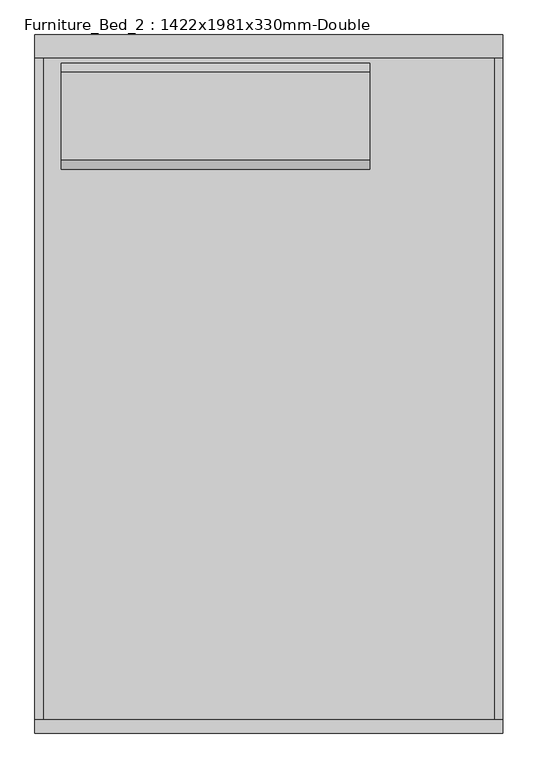
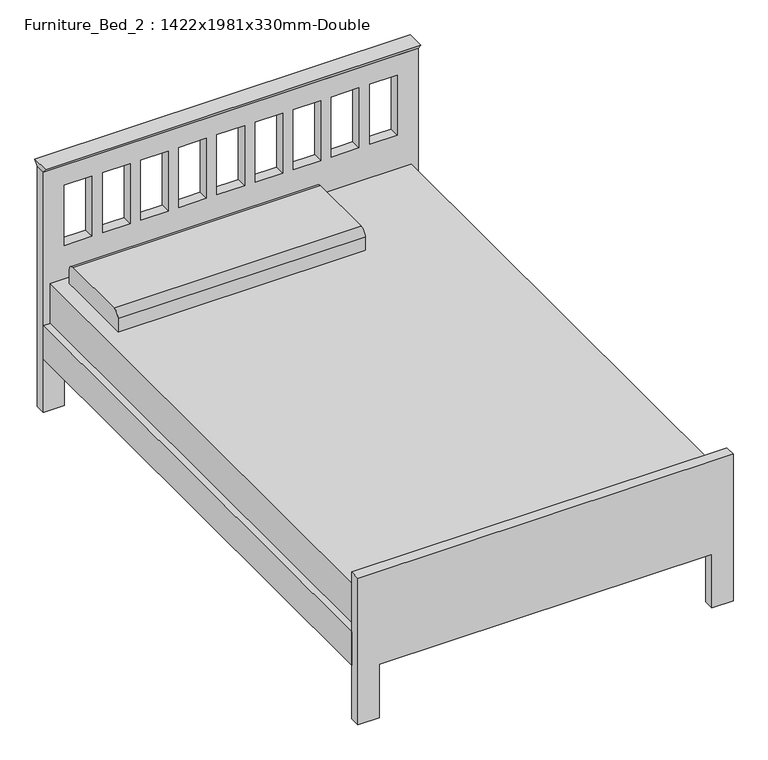
"""IFC4 building model written with IfcOpenShell, lengths in millimetres: furniture geometry, Furniture_Bed_2 : 1422x1981x330mm-Double."""

from ifc_helpers import new_model, si_unit, point, frame, frame_2d, origin, place, context, project, spatial, polyline, circle_curve, trimmed, segment, composite_curve, outline, extrude, source, transform, mapped, element, save


def furniture_bed_2_1422x1981x330mm_double_07e278fb(model_context):
    return source(origin(), model_context, "Body", "SweptSolid", [
        extrude(outline(polyline([(-38.1, 914.4), (-51.9545455, 933.45), (13.8545455, 933.45), (0.0, 914.4), (-38.1, 914.4)])), frame((-693.8365546, 0.0, 0.0), z_axis=(1.0, 0.0, 0.0), x_axis=(0.0, 1.0, 0.0)), (0.0, 0.0, 1.0), 1350.0533613),
        extrude(outline(composite_curve([segment(polyline([(-373.2486637, 482.6), (-373.2486637, 533.4)]), True, "CONTINUOUS"), segment(trimmed(circle_curve(frame_2d((-347.8486637, 533.4)), 25.4), [point((-373.2486637, 533.4))], [point((-347.8486637, 558.8))], False, "CARTESIAN"), True, "CONTINUOUS"), segment(polyline([(-347.8486637, 558.8), (-93.8486637, 558.8)]), True, "CONTINUOUS"), segment(trimmed(circle_curve(frame_2d((-93.8486637, 533.4)), 25.4), [point((-93.8486637, 558.8))], [point((-68.4486637, 533.4))], False, "CARTESIAN"), True, "CONTINUOUS"), segment(polyline([(-68.4486637, 533.4), (-68.4486637, 482.6), (-373.2486637, 482.6)]), True, "CONTINUOUS")], self_intersect=False)), frame((-617.85, 0.0, 0.0), z_axis=(1.0, 0.0, 0.0), x_axis=(0.0, 1.0, 0.0)), (0.0, 0.0, 1.0), 889.0),
        extrude(outline(polyline([(630.55, -38.1), (630.55, -1961.9), (-668.65, -1961.9), (-668.65, -38.1), (630.55, -38.1)])), frame((0.0, 0.0, 228.6), z_axis=(0.0, 0.0, 1.0), x_axis=(1.0, 0.0, 0.0)), (0.0, 0.0, 1.0), 254.0),
        extrude(outline(polyline([(630.55, -1961.9), (630.55, -38.1), (655.95, -38.1), (655.95, -1961.9), (630.55, -1961.9)])), frame((0.0, 0.0, 203.0994861), z_axis=(0.0, 0.0, 1.0), x_axis=(1.0, 0.0, 0.0)), (0.0, 0.0, 1.0), 127.0),
        extrude(outline(polyline([(-694.05, -1961.9), (-694.05, -38.1), (-668.65, -38.1), (-668.65, -1961.9), (-694.05, -1961.9)])), frame((0.0, 0.0, 203.5755296), z_axis=(0.0, 0.0, 1.0), x_axis=(1.0, 0.0, 0.0)), (0.0, 0.0, 1.0), 127.0),
        extrude(outline(polyline([(0.0, -617.85), (203.2, -617.85), (203.2, 579.75), (0.0, 579.75), (0.0, 655.95), (558.8, 655.95), (558.8, -694.05), (0.0, -694.05), (0.0, -617.85)])), frame((0.0, -2000.0, 0.0), z_axis=(0.0, 1.0, 0.0), x_axis=(0.0, 0.0, 1.0)), (0.0, 0.0, 1.0), 38.1),
        extrude(outline(polyline([(914.4, 656.2168067), (914.4, -693.8365546), (0.0, -693.8365546), (0.0, -617.85), (203.2, -617.85), (203.2, 271.15), (0.0, 271.15), (0.0, 656.2168067), (914.4, 656.2168067)]), holes=[polyline([(838.2, -518.65), (609.6, -518.65), (609.6, -617.85), (838.2, -617.85), (838.2, -518.65)]), polyline([(838.2, -381.35), (609.6, -381.35), (609.6, -480.55), (838.2, -480.55), (838.2, -381.35)]), polyline([(838.2, -244.05), (609.6, -244.05), (609.6, -343.25), (838.2, -343.25), (838.2, -244.05)]), polyline([(838.2, -106.75), (609.6, -106.75), (609.6, -205.95), (838.2, -205.95), (838.2, -106.75)]), polyline([(838.2, 167.85), (609.6, 167.85), (609.6, 68.65), (838.2, 68.65), (838.2, 167.85)]), polyline([(838.2, 305.15), (609.6, 305.15), (609.6, 205.95), (838.2, 205.95), (838.2, 305.15)]), polyline([(838.2, 442.45), (609.6, 442.45), (609.6, 343.25), (838.2, 343.25), (838.2, 442.45)]), polyline([(838.2, 579.75), (609.6, 579.75), (609.6, 480.55), (838.2, 480.55), (838.2, 579.75)]), polyline([(838.2, 30.55), (609.6, 30.55), (609.6, -68.65), (838.2, -68.65), (838.2, 30.55)])]), frame((0.0, -38.1, 0.0), z_axis=(0.0, 1.0, 0.0), x_axis=(0.0, 0.0, 1.0)), (0.0, 0.0, 1.0), 38.1),
    ])


if __name__ == "__main__":
    model = new_model("IFC4")
    model_context = context("Model", 3, world=origin())
    ifc_project = project(units=[si_unit("LENGTHUNIT", "METRE", prefix="MILLI")], contexts=[model_context])
    site = spatial("IfcSite", under=ifc_project)
    building = spatial("IfcBuilding", under=site)
    placement = place(None, origin())
    furniture_bed_2_1422x1981x330mm_double_shape = furniture_bed_2_1422x1981x330mm_double_07e278fb(model_context)
    element("IfcFurniture", 1, ObjectType="Furniture_Bed_2 : 1422x1981x330mm-Double", at=placement, inside=building, context=model_context, shape_type="MappedRepresentation", body=[
        mapped(furniture_bed_2_1422x1981x330mm_double_shape, transform((0.0, 0.0, 0.0), x_axis=(1.0, 0.0, 0.0), y_axis=(0.0, 1.0, 0.0), z_axis=(0.0, 0.0, 1.0))),
    ])
    save(model, "model.ifc")
